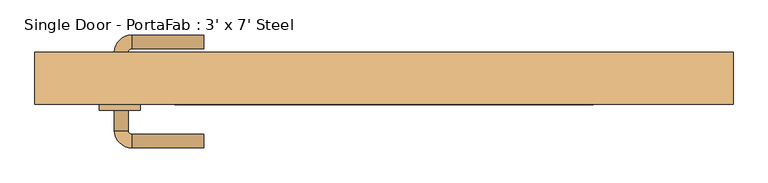
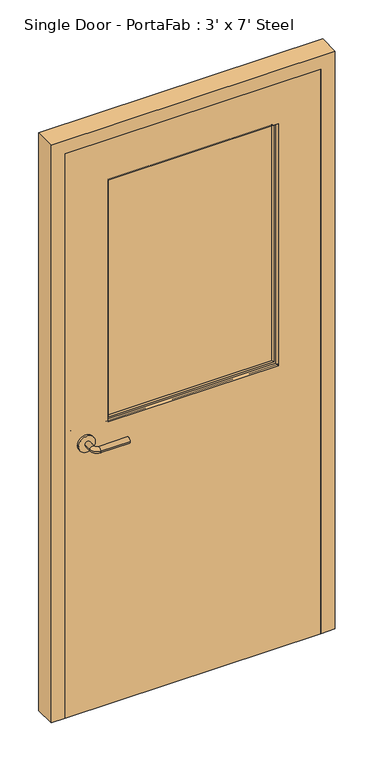
"""IFC4 building model written with IfcOpenShell, lengths in millimetres: door geometry, Single Door - PortaFab : 3' x 7' Steel."""

from ifc_helpers import new_model, si_unit, point, frame, frame_2d, origin, place, context, project, spatial, polyline, circle_curve, ellipse_curve, trimmed, segment, composite_curve, outline, extrude, faceted_brep, source, transform, mapped, element, save
from ifc_brep_helpers import plane_surface, cylinder_surface, revolved_surface, advanced_brep


def single_door_portafab_3_x_7_steel_a250dd9e(model_context):
    return source(origin(), model_context, "Body", "SolidModel", [
        advanced_brep(
        [(-392.190625, -90.425, 1016.0), (-372.190625, -90.425, 1016.0), (-392.190625, -60.425, 1016.0), (-372.190625, -60.425, 1016.0), (-367.190625, -55.425, 1016.0), (-367.190625, -35.425, 1016.0), (-262.190625, -35.425, 1016.0), (-262.190625, -55.425, 1016.0)],
        [
            (0, 1, circle_curve(frame((-382.190625, -90.425, 1016.0), z_axis=(0.0, -1.0, 0.0), x_axis=(1.0, 0.0, 0.0)), 10.0)),
            (1, 0, circle_curve(frame((-382.190625, -90.425, 1016.0), z_axis=(0.0, -1.0, 0.0), x_axis=(1.0, 0.0, 0.0)), 10.0)),
            (0, 2),
            (2, 3, circle_curve(frame((-382.190625, -60.425, 1016.0), z_axis=(0.0, -1.0, 0.0), x_axis=(1.0, 0.0, 0.0)), 10.0)),
            (3, 1),
            (3, 2, circle_curve(frame((-382.190625, -60.425, 1016.0), z_axis=(0.0, -1.0, 0.0), x_axis=(1.0, 0.0, 0.0)), 10.0)),
            (4, 3, circle_curve(frame((-367.190625, -60.425, 1016.0), z_axis=(0.0, 0.0, 1.0), x_axis=(-1.0, 0.0, 0.0)), 5.0)),
            (2, 5, circle_curve(frame((-367.190625, -60.425, 1016.0), z_axis=(0.0, 0.0, -1.0), x_axis=(-1.0, 0.0, 0.0)), 25.0)),
            (5, 4, circle_curve(frame((-367.190625, -45.425, 1016.0), z_axis=(-1.0, 0.0, 0.0), x_axis=(0.0, -1.0, 0.0)), 10.0)),
            (4, 5, circle_curve(frame((-367.190625, -45.425, 1016.0), z_axis=(-1.0, 0.0, 0.0), x_axis=(0.0, -1.0, 0.0)), 10.0)),
            (6, 7, circle_curve(frame((-262.190625, -45.425, 1016.0), z_axis=(1.0, 0.0, 0.0), x_axis=(0.0, -1.0, 0.0)), 10.0)),
            (7, 6, circle_curve(frame((-262.190625, -45.425, 1016.0), z_axis=(1.0, 0.0, 0.0), x_axis=(0.0, -1.0, 0.0)), 10.0)),
            (5, 6),
            (7, 4),
        ],
        [
            plane_surface(frame((-382.190625, -90.425, 1016.0), z_axis=(0.0, -1.0, 0.0), x_axis=(0.0, 0.0, 1.0))),
            cylinder_surface(frame((-382.190625, -90.425, 1016.0), z_axis=(0.0, -1.0, 0.0), x_axis=(1.0, 0.0, 0.0)), 10.0),
            revolved_surface(trimmed(ellipse_curve(frame((-382.190625, -60.425, 1016.0), z_axis=(0.0, -1.0, 0.0), x_axis=(1.0, 0.0, 0.0)), 10.0, 10.0), [point((-392.190625, -60.425, 1016.0))], [point((-372.190625, -60.425, 1016.0))], True, "CARTESIAN"), (-367.190625, -60.425, 1016.0), (0.0, 0.0, -1.0)),
            revolved_surface(trimmed(ellipse_curve(frame((-382.190625, -60.425, 1016.0), z_axis=(0.0, -1.0, 0.0), x_axis=(1.0, 0.0, 0.0)), 10.0, 10.0), [point((-372.190625, -60.425, 1016.0))], [point((-392.190625, -60.425, 1016.0))], True, "CARTESIAN"), (-367.190625, -60.425, 1016.0), (0.0, 0.0, -1.0)),
            plane_surface(frame((-262.190625, -45.425, 1016.0), z_axis=(1.0, 0.0, 0.0), x_axis=(0.0, 0.0, 1.0))),
            cylinder_surface(frame((-367.190625, -45.425, 1016.0), z_axis=(-1.0, 0.0, 0.0), x_axis=(0.0, -1.0, 0.0)), 10.0),
        ],
        [
            (0, [[1, 2]]),
            (1, [[-1, 3, 4, 5]]),
            (1, [[-2, -5, 6, -3]]),
            (2, [[7, -4, 8, 9]]),
            (3, [[-8, -6, -7, 10]]),
            (4, [[11, 12]]),
            (5, [[-9, 13, -12, 14]]),
            (5, [[-10, -14, -11, -13]]),
        ],
    ),
        extrude(outline(composite_curve([segment(trimmed(circle_curve(frame_2d((1016.0, -384.690625)), 30.0), [point((1016.0, -414.690625))], [point((1016.0, -354.690625))], False, "CARTESIAN"), True, "CONTINUOUS"), segment(trimmed(circle_curve(frame_2d((1016.0, -384.690625)), 30.0), [point((1016.0, -354.690625))], [point((1016.0, -414.690625))], False, "CARTESIAN"), True, "CONTINUOUS")], self_intersect=False)), frame((0.0, -98.425, 0.0), z_axis=(0.0, 1.0, 0.0), x_axis=(0.0, 0.0, 1.0)), (0.0, 0.0, 1.0), 8.0),
        advanced_brep(
        [(-392.190625, -144.525, 1016.0), (-372.190625, -144.525, 1016.0), (-372.190625, -174.525, 1016.0), (-392.190625, -174.525, 1016.0), (-367.190625, -179.525, 1016.0), (-367.190625, -199.525, 1016.0), (-262.190625, -199.525, 1016.0), (-262.190625, -179.525, 1016.0)],
        [
            (0, 1, circle_curve(frame((-382.190625, -144.525, 1016.0), z_axis=(0.0, 1.0, 0.0), x_axis=(1.0, 0.0, 0.0)), 10.0)),
            (1, 0, circle_curve(frame((-382.190625, -144.525, 1016.0), z_axis=(0.0, 1.0, 0.0), x_axis=(1.0, 0.0, 0.0)), 10.0)),
            (1, 2),
            (2, 3, circle_curve(frame((-382.190625, -174.525, 1016.0), z_axis=(0.0, 1.0, 0.0), x_axis=(1.0, 0.0, 0.0)), 10.0)),
            (3, 0),
            (3, 2, circle_curve(frame((-382.190625, -174.525, 1016.0), z_axis=(0.0, 1.0, 0.0), x_axis=(1.0, 0.0, 0.0)), 10.0)),
            (4, 5, circle_curve(frame((-367.190625, -189.525, 1016.0), z_axis=(-1.0, 0.0, 0.0), x_axis=(0.0, 1.0, 0.0)), 10.0)),
            (5, 3, circle_curve(frame((-367.190625, -174.525, 1016.0), z_axis=(0.0, 0.0, -1.0), x_axis=(-1.0, 0.0, 0.0)), 25.0)),
            (2, 4, circle_curve(frame((-367.190625, -174.525, 1016.0), z_axis=(0.0, 0.0, 1.0), x_axis=(-1.0, 0.0, 0.0)), 5.0)),
            (5, 4, circle_curve(frame((-367.190625, -189.525, 1016.0), z_axis=(-1.0, 0.0, 0.0), x_axis=(0.0, 1.0, 0.0)), 10.0)),
            (6, 7, circle_curve(frame((-262.190625, -189.525, 1016.0), z_axis=(1.0, 0.0, 0.0), x_axis=(0.0, 1.0, 0.0)), 10.0)),
            (7, 6, circle_curve(frame((-262.190625, -189.525, 1016.0), z_axis=(1.0, 0.0, 0.0), x_axis=(0.0, 1.0, 0.0)), 10.0)),
            (4, 7),
            (6, 5),
        ],
        [
            plane_surface(frame((-382.190625, -144.525, 1016.0), z_axis=(0.0, 1.0, 0.0), x_axis=(0.0, 0.0, 1.0))),
            cylinder_surface(frame((-382.190625, -144.525, 1016.0), z_axis=(0.0, 1.0, 0.0), x_axis=(1.0, 0.0, 0.0)), 10.0),
            revolved_surface(trimmed(ellipse_curve(frame((-382.190625, -174.525, 1016.0), z_axis=(0.0, -1.0, 0.0), x_axis=(1.0, 0.0, 0.0)), 10.0, 10.0), [point((-392.190625, -174.525, 1016.0))], [point((-372.190625, -174.525, 1016.0))], True, "CARTESIAN"), (-367.190625, -174.525, 1016.0), (0.0, 0.0, -1.0)),
            revolved_surface(trimmed(ellipse_curve(frame((-382.190625, -174.525, 1016.0), z_axis=(0.0, -1.0, 0.0), x_axis=(1.0, 0.0, 0.0)), 10.0, 10.0), [point((-372.190625, -174.525, 1016.0))], [point((-392.190625, -174.525, 1016.0))], True, "CARTESIAN"), (-367.190625, -174.525, 1016.0), (0.0, 0.0, -1.0)),
            plane_surface(frame((-262.190625, -189.525, 1016.0), z_axis=(1.0, 0.0, 0.0), x_axis=(0.0, 0.0, 1.0))),
            cylinder_surface(frame((-367.190625, -189.525, 1016.0), z_axis=(-1.0, 0.0, 0.0), x_axis=(0.0, 1.0, 0.0)), 10.0),
        ],
        [
            (0, [[1, 2]]),
            (1, [[3, 4, 5, -2]]),
            (1, [[-5, 6, -3, -1]]),
            (2, [[7, 8, -4, 9]]),
            (3, [[10, -9, -6, -8]]),
            (4, [[11, 12]]),
            (5, [[13, -11, 14, -7]]),
            (5, [[-14, -12, -13, -10]]),
        ],
    ),
        extrude(outline(composite_curve([segment(trimmed(circle_curve(frame_2d((1016.0, -384.690625)), 30.0), [point((1016.0, -414.690625))], [point((1016.0, -354.690625))], False, "CARTESIAN"), True, "CONTINUOUS"), segment(trimmed(circle_curve(frame_2d((1016.0, -384.690625)), 30.0), [point((1016.0, -354.690625))], [point((1016.0, -414.690625))], False, "CARTESIAN"), True, "CONTINUOUS")], self_intersect=False)), frame((0.0, -144.525, 0.0), z_axis=(0.0, 1.0, 0.0), x_axis=(0.0, 0.0, 1.0)), (0.0, 0.0, 1.0), 8.0),
        extrude(outline(polyline([(304.8, -111.125), (304.8, -117.475), (-304.8, -117.475), (-304.8, -111.125), (304.8, -111.125)])), frame((0.0, 0.0, 1066.8), z_axis=(0.0, 0.0, 1.0), x_axis=(1.0, 0.0, 0.0)), (0.0, 0.0, 1.0), 914.4),
        extrude(outline(polyline([(2133.6, -457.2), (0.0, -457.2), (0.0, 457.2), (2133.6, 457.2), (2133.6, -457.2)]), holes=[polyline([(1981.2, -304.8), (1981.2, 304.8), (1066.8, 304.8), (1066.8, -304.8), (1981.2, -304.8)])]), frame((0.0, -136.525, 0.0), z_axis=(0.0, 1.0, 0.0), x_axis=(0.0, 0.0, 1.0)), (0.0, 0.0, 1.0), 38.1),
        faceted_brep([(457.2, -93.6625, 0.0), (441.325, -93.6625, 0.0), (441.325, -60.325, 0.0), (508.0, -60.325, 0.0), (508.0, -136.525, 0.0), (457.2, -136.525, 0.0), (457.2, -136.525, 2133.6), (457.2, -93.6625, 2133.6), (508.0, -136.525, 2184.4), (-508.0, -136.525, 2184.4), (-508.0, -136.525, 0.0), (-457.2, -136.525, 0.0), (-457.2, -136.525, 2133.6), (508.0, -60.325, 2184.4), (441.325, -60.325, 2117.725), (-441.325, -60.325, 2117.725), (-441.325, -60.325, 0.0), (-508.0, -60.325, 0.0), (-508.0, -60.325, 2184.4), (441.325, -93.6625, 2117.725), (-457.2, -93.6625, 2133.6), (-457.2, -93.6625, 0.0), (-441.325, -93.6625, 0.0), (-441.325, -93.6625, 2117.725)], [[[0, 1, 2, 3, 4, 5]], [[5, 6, 7, 0]], [[4, 8, 9, 10, 11, 12, 6, 5]], [[3, 13, 8, 4]], [[3, 2, 14, 15, 16, 17, 18, 13]], [[1, 19, 14, 2]], [[0, 7, 20, 21, 22, 23, 19, 1]], [[12, 11, 21, 20]], [[21, 11, 10, 17, 16, 22]], [[18, 17, 10, 9]], [[23, 22, 16, 15]], [[6, 12, 20, 7]], [[13, 18, 9, 8]], [[19, 23, 15, 14]]]),
        advanced_brep(
        [(-304.8, -96.8375, 1066.8), (-304.8, -96.8375, 1981.2), (-304.8, -77.7875, 1981.2), (-304.8, -77.7875, 1066.8), (-292.8, -76.7875, 1078.8), (-292.8, -76.7875, 1969.2), (-292.8, -96.8375, 1969.2), (-292.8, -96.8375, 1078.8), (-297.8, -71.7875, 1073.8), (-297.8, -71.7875, 1974.2), (-312.8, -73.7875, 1058.8), (-312.8, -73.7875, 1989.2), (-310.8, -71.7875, 1987.2), (-310.8, -71.7875, 1060.8), (-312.8, -77.7875, 1058.8), (-312.8, -77.7875, 1989.2), (304.8, -96.8375, 1981.2), (304.8, -77.7875, 1981.2), (292.8, -76.7875, 1969.2), (292.8, -96.8375, 1969.2), (297.8, -71.7875, 1974.2), (312.8, -73.7875, 1989.2), (310.8, -71.7875, 1987.2), (312.8, -77.7875, 1989.2), (304.8, -96.8375, 1066.8), (304.8, -77.7875, 1066.8), (292.8, -76.7875, 1078.8), (292.8, -96.8375, 1078.8), (297.8, -71.7875, 1073.8), (312.8, -73.7875, 1058.8), (310.8, -71.7875, 1060.8), (312.8, -77.7875, 1058.8)],
        [
            (0, 1),
            (1, 2),
            (2, 3),
            (3, 0),
            (4, 5),
            (5, 6),
            (6, 7),
            (7, 4),
            (8, 9),
            (9, 5, ellipse_curve(frame((-297.8, -76.7875, 1974.2), z_axis=(-0.7071067811865475, 0.0, -0.7071067811865475), x_axis=(0.7071067811865474, 0.0, -0.7071067811865476)), 7.0710678, 5.0)),
            (4, 8, ellipse_curve(frame((-297.8, -76.7875, 1073.8), z_axis=(-0.7071067811865475, 0.0, 0.7071067811865475), x_axis=(-0.7071067811865474, 0.0, -0.7071067811865476)), 7.0710678, 5.0)),
            (10, 11),
            (11, 12, ellipse_curve(frame((-310.8, -73.7875, 1987.2), z_axis=(-0.7071067811865475, 0.0, -0.7071067811865475), x_axis=(0.7071067811865474, 0.0, -0.7071067811865476)), 2.8284271, 2.0)),
            (12, 13),
            (13, 10, ellipse_curve(frame((-310.8, -73.7875, 1060.8), z_axis=(-0.7071067811865475, 0.0, 0.7071067811865475), x_axis=(-0.7071067811865474, 0.0, -0.7071067811865476)), 2.8284271, 2.0)),
            (14, 15),
            (15, 11),
            (10, 14),
            (1, 16),
            (16, 17),
            (17, 2),
            (5, 18),
            (18, 19),
            (19, 6),
            (9, 20),
            (20, 18, ellipse_curve(frame((297.8, -76.7875, 1974.2), z_axis=(-0.7071067811865475, 0.0, 0.7071067811865475), x_axis=(-0.7071067811865476, 0.0, -0.7071067811865474)), 7.0710678, 5.0)),
            (11, 21),
            (21, 22, ellipse_curve(frame((310.8, -73.7875, 1987.2), z_axis=(-0.7071067811865475, 0.0, 0.7071067811865475), x_axis=(-0.7071067811865476, 0.0, -0.7071067811865474)), 2.8284271, 2.0)),
            (22, 12),
            (15, 23),
            (23, 21),
            (16, 24),
            (24, 25),
            (25, 17),
            (18, 26),
            (26, 27),
            (27, 19),
            (20, 28),
            (28, 26, ellipse_curve(frame((297.8, -76.7875, 1073.8), z_axis=(0.7071067811865475, 0.0, 0.7071067811865475), x_axis=(-0.7071067811865474, 0.0, 0.7071067811865476)), 7.0710678, 5.0)),
            (21, 29),
            (29, 30, ellipse_curve(frame((310.8, -73.7875, 1060.8), z_axis=(0.7071067811865475, 0.0, 0.7071067811865475), x_axis=(-0.7071067811865474, 0.0, 0.7071067811865476)), 2.8284271, 2.0)),
            (30, 22),
            (23, 31),
            (31, 29),
            (14, 31),
            (25, 3),
            (24, 0),
            (27, 7),
            (26, 4),
            (28, 8),
            (30, 13),
            (29, 10),
        ],
        [
            plane_surface(frame((-304.8, -77.7875, 1066.8), z_axis=(-1.0, 0.0, 0.0), x_axis=(0.0, 0.0, 1.0))),
            plane_surface(frame((-292.8, -96.8375, 1078.8), z_axis=(1.0, 0.0, 0.0), x_axis=(0.0, 0.0, 1.0))),
            cylinder_surface(frame((-297.8, -76.7875, 1066.8), z_axis=(0.0, 0.0, -1.0), x_axis=(-1.0, 0.0, 0.0)), 5.0),
            cylinder_surface(frame((-310.8, -73.7875, 1066.8), z_axis=(0.0, 0.0, -1.0), x_axis=(-1.0, 0.0, 0.0)), 2.0),
            plane_surface(frame((-312.8, -73.7875, 1058.8), z_axis=(-1.0, 0.0, 0.0), x_axis=(0.0, 0.0, 1.0))),
            plane_surface(frame((-304.8, -77.7875, 1981.2), z_axis=(0.0, 0.0, 1.0), x_axis=(1.0, 0.0, 0.0))),
            plane_surface(frame((-292.8, -96.8375, 1969.2), z_axis=(0.0, 0.0, -1.0), x_axis=(1.0, 0.0, 0.0))),
            cylinder_surface(frame((-304.8, -76.7875, 1974.2), z_axis=(-1.0, 0.0, 0.0), x_axis=(0.0, 0.0, 1.0)), 5.0),
            cylinder_surface(frame((-304.8, -73.7875, 1987.2), z_axis=(-1.0, 0.0, 0.0), x_axis=(0.0, 0.0, 1.0)), 2.0),
            plane_surface(frame((-312.8, -73.7875, 1989.2), z_axis=(0.0, 0.0, 1.0), x_axis=(1.0, 0.0, 0.0))),
            plane_surface(frame((304.8, -77.7875, 1981.2), z_axis=(1.0, 0.0, 0.0), x_axis=(0.0, 0.0, -1.0))),
            plane_surface(frame((292.8, -96.8375, 1969.2), z_axis=(-1.0, 0.0, 0.0), x_axis=(0.0, 0.0, -1.0))),
            cylinder_surface(frame((297.8, -76.7875, 1981.2), z_axis=(0.0, 0.0, 1.0), x_axis=(1.0, 0.0, 0.0)), 5.0),
            cylinder_surface(frame((310.8, -73.7875, 1981.2), z_axis=(0.0, 0.0, 1.0), x_axis=(1.0, 0.0, 0.0)), 2.0),
            plane_surface(frame((312.8, -73.7875, 1989.2), z_axis=(1.0, 0.0, 0.0), x_axis=(0.0, 0.0, -1.0))),
            plane_surface(frame((312.8, -77.7875, 1058.8), z_axis=(0.0, -1.0, 0.0), x_axis=(-1.0, 0.0, 0.0))),
            plane_surface(frame((304.8, -77.7875, 1066.8), z_axis=(0.0, 0.0, -1.0), x_axis=(-1.0, 0.0, 0.0))),
            plane_surface(frame((304.8, -96.8375, 1066.8), z_axis=(0.0, -1.0, 0.0), x_axis=(-1.0, 0.0, 0.0))),
            plane_surface(frame((292.8, -96.8375, 1078.8), z_axis=(0.0, 0.0, 1.0), x_axis=(-1.0, 0.0, 0.0))),
            cylinder_surface(frame((304.8, -76.7875, 1073.8), z_axis=(1.0, 0.0, 0.0), x_axis=(0.0, 0.0, -1.0)), 5.0),
            plane_surface(frame((297.8, -71.7875, 1073.8), z_axis=(0.0, 1.0, 0.0), x_axis=(-1.0, 0.0, 0.0))),
            cylinder_surface(frame((304.8, -73.7875, 1060.8), z_axis=(1.0, 0.0, 0.0), x_axis=(0.0, 0.0, -1.0)), 2.0),
            plane_surface(frame((312.8, -73.7875, 1058.8), z_axis=(0.0, 0.0, -1.0), x_axis=(-1.0, 0.0, 0.0))),
        ],
        [
            (0, [[1, 2, 3, 4]]),
            (1, [[5, 6, 7, 8]]),
            (2, [[9, 10, -5, 11]]),
            (3, [[12, 13, 14, 15]]),
            (4, [[16, 17, -12, 18]]),
            (5, [[19, 20, 21, -2]]),
            (6, [[22, 23, 24, -6]]),
            (7, [[25, 26, -22, -10]]),
            (8, [[27, 28, 29, -13]]),
            (9, [[30, 31, -27, -17]]),
            (10, [[32, 33, 34, -20]]),
            (11, [[35, 36, 37, -23]]),
            (12, [[38, 39, -35, -26]]),
            (13, [[40, 41, 42, -28]]),
            (14, [[43, 44, -40, -31]]),
            (15, [[-16, 45, -43, -30], [-3, -21, -34, 46]]),
            (16, [[47, -4, -46, -33]]),
            (17, [[-1, -47, -32, -19], [-7, -24, -37, 48]]),
            (18, [[49, -8, -48, -36]]),
            (19, [[50, -11, -49, -39]]),
            (20, [[-14, -29, -42, 51], [-9, -50, -38, -25]]),
            (21, [[52, -15, -51, -41]]),
            (22, [[-45, -18, -52, -44]]),
        ],
    ),
        advanced_brep(
        [(-304.8, -96.8375, 1981.2), (-304.8, -96.8375, 1066.8), (-304.8, -115.8875, 1066.8), (-304.8, -115.8875, 1981.2), (-292.8, -116.8875, 1969.2), (-292.8, -116.8875, 1078.8), (-292.8, -96.8375, 1078.8), (-292.8, -96.8375, 1969.2), (-297.8, -121.8875, 1974.2), (-297.8, -121.8875, 1073.8), (-312.8, -119.8875, 1989.2), (-312.8, -119.8875, 1058.8), (-310.8, -121.8875, 1060.8), (-310.8, -121.8875, 1987.2), (-312.8, -115.8875, 1989.2), (-312.8, -115.8875, 1058.8), (304.8, -96.8375, 1066.8), (304.8, -115.8875, 1066.8), (292.8, -116.8875, 1078.8), (292.8, -96.8375, 1078.8), (297.8, -121.8875, 1073.8), (312.8, -119.8875, 1058.8), (310.8, -121.8875, 1060.8), (312.8, -115.8875, 1058.8), (304.8, -96.8375, 1981.2), (304.8, -115.8875, 1981.2), (292.8, -116.8875, 1969.2), (292.8, -96.8375, 1969.2), (297.8, -121.8875, 1974.2), (312.8, -119.8875, 1989.2), (310.8, -121.8875, 1987.2), (312.8, -115.8875, 1989.2)],
        [
            (0, 1),
            (1, 2),
            (2, 3),
            (3, 0),
            (4, 5),
            (5, 6),
            (6, 7),
            (7, 4),
            (8, 9),
            (9, 5, ellipse_curve(frame((-297.8, -116.8875, 1073.8), z_axis=(-0.7071067811865475, 0.0, 0.7071067811865475), x_axis=(0.7071067811865474, 0.0, 0.7071067811865476)), 7.0710678, 5.0)),
            (4, 8, ellipse_curve(frame((-297.8, -116.8875, 1974.2), z_axis=(-0.7071067811865475, 0.0, -0.7071067811865475), x_axis=(-0.7071067811865474, 0.0, 0.7071067811865476)), 7.0710678, 5.0)),
            (10, 11),
            (11, 12, ellipse_curve(frame((-310.8, -119.8875, 1060.8), z_axis=(-0.7071067811865475, 0.0, 0.7071067811865475), x_axis=(0.7071067811865474, 0.0, 0.7071067811865476)), 2.8284271, 2.0)),
            (12, 13),
            (13, 10, ellipse_curve(frame((-310.8, -119.8875, 1987.2), z_axis=(-0.7071067811865475, 0.0, -0.7071067811865475), x_axis=(-0.7071067811865474, 0.0, 0.7071067811865476)), 2.8284271, 2.0)),
            (14, 15),
            (15, 11),
            (10, 14),
            (1, 16),
            (16, 17),
            (17, 2),
            (5, 18),
            (18, 19),
            (19, 6),
            (9, 20),
            (20, 18, ellipse_curve(frame((297.8, -116.8875, 1073.8), z_axis=(-0.7071067811865475, 0.0, -0.7071067811865475), x_axis=(-0.7071067811865476, 0.0, 0.7071067811865474)), 7.0710678, 5.0)),
            (11, 21),
            (21, 22, ellipse_curve(frame((310.8, -119.8875, 1060.8), z_axis=(-0.7071067811865475, 0.0, -0.7071067811865475), x_axis=(-0.7071067811865476, 0.0, 0.7071067811865474)), 2.8284271, 2.0)),
            (22, 12),
            (15, 23),
            (23, 21),
            (16, 24),
            (24, 25),
            (25, 17),
            (18, 26),
            (26, 27),
            (27, 19),
            (20, 28),
            (28, 26, ellipse_curve(frame((297.8, -116.8875, 1974.2), z_axis=(0.7071067811865475, 0.0, -0.7071067811865475), x_axis=(-0.7071067811865474, 0.0, -0.7071067811865476)), 7.0710678, 5.0)),
            (21, 29),
            (29, 30, ellipse_curve(frame((310.8, -119.8875, 1987.2), z_axis=(0.7071067811865475, 0.0, -0.7071067811865475), x_axis=(-0.7071067811865474, 0.0, -0.7071067811865476)), 2.8284271, 2.0)),
            (30, 22),
            (23, 31),
            (31, 29),
            (14, 31),
            (25, 3),
            (24, 0),
            (27, 7),
            (26, 4),
            (28, 8),
            (30, 13),
            (29, 10),
        ],
        [
            plane_surface(frame((-304.8, -115.8875, 1981.2), z_axis=(-1.0, 0.0, 0.0), x_axis=(0.0, 0.0, -1.0))),
            plane_surface(frame((-292.8, -96.8375, 1969.2), z_axis=(1.0, 0.0, 0.0), x_axis=(0.0, 0.0, -1.0))),
            cylinder_surface(frame((-297.8, -116.8875, 1981.2), z_axis=(0.0, 0.0, 1.0), x_axis=(-1.0, 0.0, 0.0)), 5.0),
            cylinder_surface(frame((-310.8, -119.8875, 1981.2), z_axis=(0.0, 0.0, 1.0), x_axis=(-1.0, 0.0, 0.0)), 2.0),
            plane_surface(frame((-312.8, -119.8875, 1989.2), z_axis=(-1.0, 0.0, 0.0), x_axis=(0.0, 0.0, -1.0))),
            plane_surface(frame((-304.8, -115.8875, 1066.8), z_axis=(0.0, 0.0, -1.0), x_axis=(1.0, 0.0, 0.0))),
            plane_surface(frame((-292.8, -96.8375, 1078.8), z_axis=(0.0, 0.0, 1.0), x_axis=(1.0, 0.0, 0.0))),
            cylinder_surface(frame((-304.8, -116.8875, 1073.8), z_axis=(-1.0, 0.0, 0.0), x_axis=(0.0, 0.0, -1.0)), 5.0),
            cylinder_surface(frame((-304.8, -119.8875, 1060.8), z_axis=(-1.0, 0.0, 0.0), x_axis=(0.0, 0.0, -1.0)), 2.0),
            plane_surface(frame((-312.8, -119.8875, 1058.8), z_axis=(0.0, 0.0, -1.0), x_axis=(1.0, 0.0, 0.0))),
            plane_surface(frame((304.8, -115.8875, 1066.8), z_axis=(1.0, 0.0, 0.0), x_axis=(0.0, 0.0, 1.0))),
            plane_surface(frame((292.8, -96.8375, 1078.8), z_axis=(-1.0, 0.0, 0.0), x_axis=(0.0, 0.0, 1.0))),
            cylinder_surface(frame((297.8, -116.8875, 1066.8), z_axis=(0.0, 0.0, -1.0), x_axis=(1.0, 0.0, 0.0)), 5.0),
            cylinder_surface(frame((310.8, -119.8875, 1066.8), z_axis=(0.0, 0.0, -1.0), x_axis=(1.0, 0.0, 0.0)), 2.0),
            plane_surface(frame((312.8, -119.8875, 1058.8), z_axis=(1.0, 0.0, 0.0), x_axis=(0.0, 0.0, 1.0))),
            plane_surface(frame((312.8, -115.8875, 1989.2), z_axis=(0.0, 1.0, 0.0), x_axis=(-1.0, 0.0, 0.0))),
            plane_surface(frame((304.8, -115.8875, 1981.2), z_axis=(0.0, 0.0, 1.0), x_axis=(-1.0, 0.0, 0.0))),
            plane_surface(frame((304.8, -96.8375, 1981.2), z_axis=(0.0, 1.0, 0.0), x_axis=(-1.0, 0.0, 0.0))),
            plane_surface(frame((292.8, -96.8375, 1969.2), z_axis=(0.0, 0.0, -1.0), x_axis=(-1.0, 0.0, 0.0))),
            cylinder_surface(frame((304.8, -116.8875, 1974.2), z_axis=(1.0, 0.0, 0.0), x_axis=(0.0, 0.0, 1.0)), 5.0),
            plane_surface(frame((297.8, -121.8875, 1974.2), z_axis=(0.0, -1.0, 0.0), x_axis=(-1.0, 0.0, 0.0))),
            cylinder_surface(frame((304.8, -119.8875, 1987.2), z_axis=(1.0, 0.0, 0.0), x_axis=(0.0, 0.0, 1.0)), 2.0),
            plane_surface(frame((312.8, -119.8875, 1989.2), z_axis=(0.0, 0.0, 1.0), x_axis=(-1.0, 0.0, 0.0))),
        ],
        [
            (0, [[1, 2, 3, 4]]),
            (1, [[5, 6, 7, 8]]),
            (2, [[9, 10, -5, 11]]),
            (3, [[12, 13, 14, 15]]),
            (4, [[16, 17, -12, 18]]),
            (5, [[19, 20, 21, -2]]),
            (6, [[22, 23, 24, -6]]),
            (7, [[25, 26, -22, -10]]),
            (8, [[27, 28, 29, -13]]),
            (9, [[30, 31, -27, -17]]),
            (10, [[32, 33, 34, -20]]),
            (11, [[35, 36, 37, -23]]),
            (12, [[38, 39, -35, -26]]),
            (13, [[40, 41, 42, -28]]),
            (14, [[43, 44, -40, -31]]),
            (15, [[-16, 45, -43, -30], [-3, -21, -34, 46]]),
            (16, [[47, -4, -46, -33]]),
            (17, [[-1, -47, -32, -19], [-7, -24, -37, 48]]),
            (18, [[49, -8, -48, -36]]),
            (19, [[50, -11, -49, -39]]),
            (20, [[-14, -29, -42, 51], [-9, -50, -38, -25]]),
            (21, [[52, -15, -51, -41]]),
            (22, [[-45, -18, -52, -44]]),
        ],
    ),
    ])


if __name__ == "__main__":
    model = new_model("IFC4")
    model_context = context("Model", 3, world=origin())
    ifc_project = project(units=[si_unit("LENGTHUNIT", "METRE", prefix="MILLI")], contexts=[model_context])
    site = spatial("IfcSite", under=ifc_project)
    building = spatial("IfcBuilding", under=site)
    placement = place(None, origin())
    single_door_portafab_3_x_7_steel_shape = single_door_portafab_3_x_7_steel_a250dd9e(model_context)
    element("IfcDoor", 1, ObjectType="Single Door - PortaFab : 3' x 7' Steel", at=placement, inside=building, context=model_context, shape_type="MappedRepresentation", body=[
        mapped(single_door_portafab_3_x_7_steel_shape, transform((0.0, 0.0, 0.0), x_axis=(1.0, 0.0, 0.0), y_axis=(0.0, 1.0, 0.0), z_axis=(0.0, 0.0, 1.0))),
    ])
    save(model, "model.ifc")
